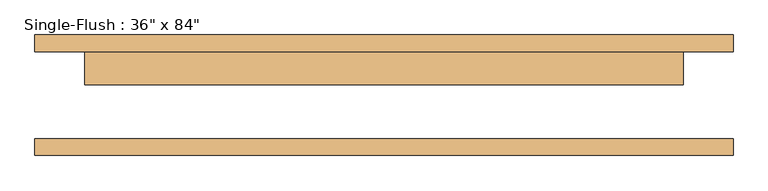
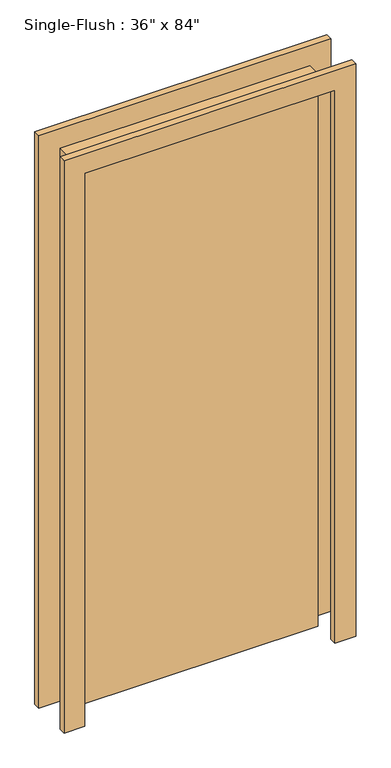
"""IFC4 building model written with IfcOpenShell, lengths in millimetres: door geometry."""

from ifc_helpers import new_model, si_unit, frame, origin, origin_with_axes, place, context, project, spatial, polyline, outline, extrude, source, transform, mapped, element, save


def door_bf04f5fe(model_context):
    return source(origin(), model_context, "Body", "SweptSolid", [
        extrude(outline(polyline([(2209.8, -533.4), (0.0, -533.4), (0.0, -457.2), (2133.6, -457.2), (2133.6, 457.2), (0.0, 457.2), (0.0, 533.4), (2209.8, 533.4), (2209.8, -533.4)])), frame((0.0, 66.675, 0.0), z_axis=(0.0, 1.0, 0.0), x_axis=(0.0, 0.0, 1.0)), (0.0, 0.0, 1.0), 25.4),
        extrude(outline(polyline([(2209.8, 533.4), (2209.8, -533.4), (0.0, -533.4), (0.0, -457.2), (2133.6, -457.2), (2133.6, 457.2), (0.0, 457.2), (0.0, 533.4), (2209.8, 533.4)])), frame((0.0, -92.075, 0.0), z_axis=(0.0, 1.0, 0.0), x_axis=(0.0, 0.0, 1.0)), (0.0, 0.0, 1.0), 25.4),
        extrude(outline(polyline([(457.2, 15.875), (-457.2, 15.875), (-457.2, 66.675), (457.2, 66.675), (457.2, 15.875)])), origin_with_axes(), (0.0, 0.0, 1.0), 2133.6),
    ])


if __name__ == "__main__":
    model = new_model("IFC4")
    model_context = context("Model", 3, world=origin())
    ifc_project = project(units=[si_unit("LENGTHUNIT", "METRE", prefix="MILLI")], contexts=[model_context])
    site = spatial("IfcSite", under=ifc_project)
    building = spatial("IfcBuilding", under=site)
    placement = place(None, origin())
    door_shape = door_bf04f5fe(model_context)
    element("IfcDoor", 1, ObjectType="Single-Flush : 36\" x 84\"", at=placement, inside=building, context=model_context, shape_type="MappedRepresentation", body=[
        mapped(door_shape, transform((0.0, 0.0, 0.0), x_axis=(1.0, 0.0, 0.0), y_axis=(0.0, 1.0, 0.0), z_axis=(0.0, 0.0, 1.0))),
    ])
    save(model, "model.ifc")
